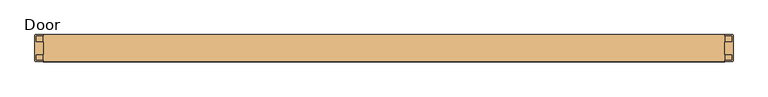
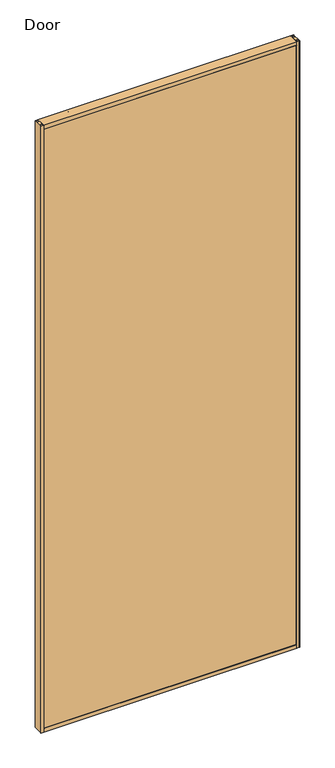
"""IFC4 building model written with IfcOpenShell, lengths in millimetres: door geometry, Door."""

from ifc_helpers import new_model, si_unit, frame, origin, origin_with_axes, place, context, project, spatial, polyline, outline, extrude, source, transform, mapped, element, save


def door_b4be81c8(model_context):
    return source(origin(), model_context, "Body", "SweptSolid", [
        extrude(outline(polyline([(-489.9290969, 19.0744957), (-489.9290969, 18.2820157), (-501.0415969, 18.2820157), (-501.0415969, 8.7570157), (-489.9290969, 8.7570157), (-489.9290969, -10.2929843), (-501.0415969, -10.2929843), (-501.0415969, -19.8179843), (-489.9290969, -19.8179843), (-489.9290969, -20.6104643), (-490.7241169, -21.4054843), (-501.8340769, -21.4054843), (-502.6290969, -20.6104643), (-502.6290969, 19.0744957), (-501.8340769, 19.8695157), (-490.7241169, 19.8695157), (-489.9290969, 19.0744957)])), origin_with_axes(), (0.0, 0.0, 1.0), 2638.425),
        extrude(outline(polyline([(549.8834031, 19.0744957), (550.6784231, 19.8695157), (561.7883831, 19.8695157), (562.5834031, 19.0744957), (562.5834031, -20.6104643), (561.7883831, -21.4054843), (550.6784231, -21.4054843), (549.8834031, -20.6104643), (549.8834031, -19.8179843), (560.9959031, -19.8179843), (560.9959031, -10.2929843), (549.8834031, -10.2929843), (549.8834031, 8.7570157), (560.9959031, 8.7570157), (560.9959031, 18.2820157), (549.8834031, 18.2820157), (549.8834031, 19.0744957)])), origin_with_axes(), (0.0, 0.0, 1.0), 2638.425),
        extrude(outline(polyline([(560.9959031, 18.2820157), (560.9959031, 8.7570157), (-501.0415969, 8.7570157), (-501.0415969, 18.2820157), (560.9959031, 18.2820157)])), frame((0.0, 0.0, 1.5875), z_axis=(0.0, 0.0, 1.0), x_axis=(1.0, 0.0, 0.0)), (0.0, 0.0, 1.0), 2635.25),
        extrude(outline(polyline([(560.9959031, -10.2929843), (560.9959031, -19.8179843), (-501.0415969, -19.8179843), (-501.0415969, -10.2929843), (560.9959031, -10.2929843)])), frame((0.0, 0.0, 1.5875), z_axis=(0.0, 0.0, 1.0), x_axis=(1.0, 0.0, 0.0)), (0.0, 0.0, 1.0), 2635.25),
        extrude(outline(polyline([(-21.4054843, 2638.425), (19.8695157, 2638.425), (19.8695157, 2622.51952), (19.0744957, 2621.7245), (18.2820157, 2621.7245), (18.2820157, 2636.8375), (8.7570157, 2636.8375), (8.7570157, 2621.7245), (-10.2929843, 2621.7245), (-10.2929843, 2636.8375), (-19.8179843, 2636.8375), (-19.8179843, 2621.7245), (-20.6104643, 2621.7245), (-21.4054843, 2622.51952), (-21.4054843, 2638.425)])), frame((-489.9290969, 0.0, 0.0), z_axis=(1.0, 0.0, 0.0), x_axis=(0.0, 1.0, 0.0)), (0.0, 0.0, 1.0), 1039.8125),
        extrude(outline(polyline([(-21.4054843, 0.0), (-21.4054843, 15.90548), (-20.6104643, 16.7005), (-19.8179843, 16.7005), (-19.8179843, 1.5875), (-10.2929843, 1.5875), (-10.2929843, 16.7005), (8.7570157, 16.7005), (8.7570157, 1.5875), (18.2820157, 1.5875), (18.2820157, 16.7005), (19.0744957, 16.7005), (19.8695157, 15.90548), (19.8695157, 0.0), (-21.4054843, 0.0)])), frame((-489.9290969, 0.0, 0.0), z_axis=(1.0, 0.0, 0.0), x_axis=(0.0, 1.0, 0.0)), (0.0, 0.0, 1.0), 1039.8125),
    ])


if __name__ == "__main__":
    model = new_model("IFC4")
    model_context = context("Model", 3, world=origin())
    ifc_project = project(units=[si_unit("LENGTHUNIT", "METRE", prefix="MILLI")], contexts=[model_context])
    site = spatial("IfcSite", under=ifc_project)
    building = spatial("IfcBuilding", under=site)
    placement = place(None, origin())
    door_shape = door_b4be81c8(model_context)
    element("IfcDoor", 1, ObjectType="Door", at=placement, inside=building, context=model_context, shape_type="MappedRepresentation", body=[
        mapped(door_shape, transform((0.0, 0.0, 0.0), x_axis=(1.0, 0.0, 0.0), y_axis=(0.0, 1.0, 0.0), z_axis=(0.0, 0.0, 1.0))),
    ])
    save(model, "model.ifc")
